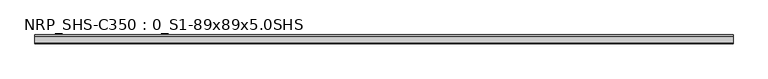
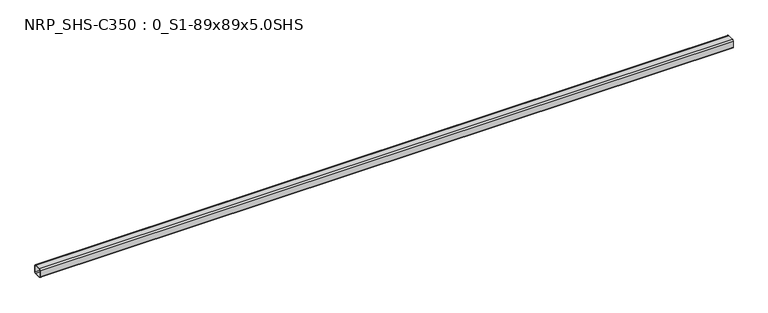
"""IFC4 building model written with IfcOpenShell, lengths in millimetres: beam geometry, NRP_SHS-C350 : 0_S1-89x89x5.0SHS."""

from ifc_helpers import new_model, si_unit, point, frame, frame_2d, origin, place, context, project, spatial, polyline, circle_curve, trimmed, segment, composite_curve, outline, extrude, source, transform, mapped, element, save


def nrp_shs_c350_0_s1_89x89x5_0shs_8c2a862d(model_context):
    return source(origin(), model_context, "Body", "SweptSolid", [
        extrude(outline(composite_curve([segment(polyline([(44.5, 32.0), (44.5, -32.0)]), True, "CONTINUOUS"), segment(trimmed(circle_curve(frame_2d((32.0, -32.0)), 12.5), [point((44.5, -32.0))], [point((32.0, -44.5))], False, "CARTESIAN"), True, "CONTINUOUS"), segment(polyline([(32.0, -44.5), (-32.0, -44.5)]), True, "CONTINUOUS"), segment(trimmed(circle_curve(frame_2d((-32.0, -32.0)), 12.5), [point((-32.0, -44.5))], [point((-44.5, -32.0))], False, "CARTESIAN"), True, "CONTINUOUS"), segment(polyline([(-44.5, -32.0), (-44.5, 32.0)]), True, "CONTINUOUS"), segment(trimmed(circle_curve(frame_2d((-32.0, 32.0)), 12.5), [point((-44.5, 32.0))], [point((-32.0, 44.5))], False, "CARTESIAN"), True, "CONTINUOUS"), segment(polyline([(-32.0, 44.5), (32.0, 44.5)]), True, "CONTINUOUS"), segment(trimmed(circle_curve(frame_2d((32.0, 32.0)), 12.5), [point((32.0, 44.5))], [point((44.5, 32.0))], False, "CARTESIAN"), True, "CONTINUOUS")], self_intersect=False), holes=[composite_curve([segment(trimmed(circle_curve(frame_2d((-32.0, 32.0)), 7.5), [point((-32.0, 39.5))], [point((-39.5, 32.0))], True, "CARTESIAN"), True, "CONTINUOUS"), segment(polyline([(-39.5, 32.0), (-39.5, -32.0)]), True, "CONTINUOUS"), segment(trimmed(circle_curve(frame_2d((-32.0, -32.0)), 7.5), [point((-39.5, -32.0))], [point((-32.0, -39.5))], True, "CARTESIAN"), True, "CONTINUOUS"), segment(polyline([(-32.0, -39.5), (32.0, -39.5)]), True, "CONTINUOUS"), segment(trimmed(circle_curve(frame_2d((32.0, -32.0)), 7.5), [point((32.0, -39.5))], [point((39.5, -32.0))], True, "CARTESIAN"), True, "CONTINUOUS"), segment(polyline([(39.5, -32.0), (39.5, 32.0)]), True, "CONTINUOUS"), segment(trimmed(circle_curve(frame_2d((32.0, 32.0)), 7.5), [point((39.5, 32.0))], [point((32.0, 39.5))], True, "CARTESIAN"), True, "CONTINUOUS"), segment(polyline([(32.0, 39.5), (-32.0, 39.5)]), True, "CONTINUOUS")], self_intersect=False)]), frame((-3439.0, 0.0, 0.0), z_axis=(1.0, 0.0, 0.0), x_axis=(0.0, 1.0, 0.0)), (0.0, 0.0, 1.0), 6891.0),
    ])


if __name__ == "__main__":
    model = new_model("IFC4")
    model_context = context("Model", 3, world=origin())
    ifc_project = project(units=[si_unit("LENGTHUNIT", "METRE", prefix="MILLI")], contexts=[model_context])
    site = spatial("IfcSite", under=ifc_project)
    building = spatial("IfcBuilding", under=site)
    placement = place(None, origin())
    nrp_shs_c350_0_s1_89x89x5_0shs_shape = nrp_shs_c350_0_s1_89x89x5_0shs_8c2a862d(model_context)
    element("IfcBeam", 1, ObjectType="NRP_SHS-C350 : 0_S1-89x89x5.0SHS", at=placement, inside=building, context=model_context, shape_type="MappedRepresentation", body=[
        mapped(nrp_shs_c350_0_s1_89x89x5_0shs_shape, transform((0.0, 0.0, 0.0), x_axis=(1.0, 0.0, 0.0), y_axis=(0.0, 1.0, 0.0), z_axis=(0.0, 0.0, 1.0))),
    ])
    save(model, "model.ifc")
